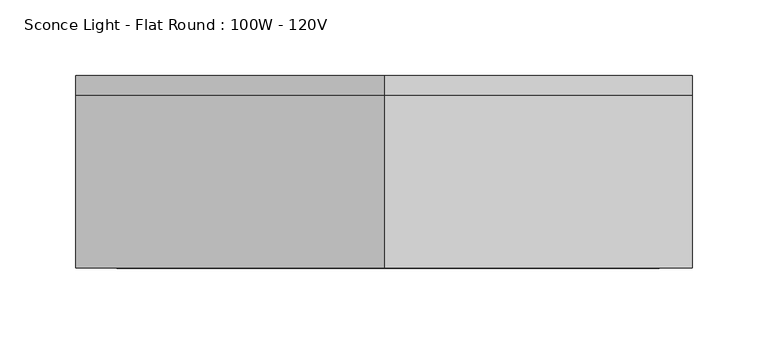
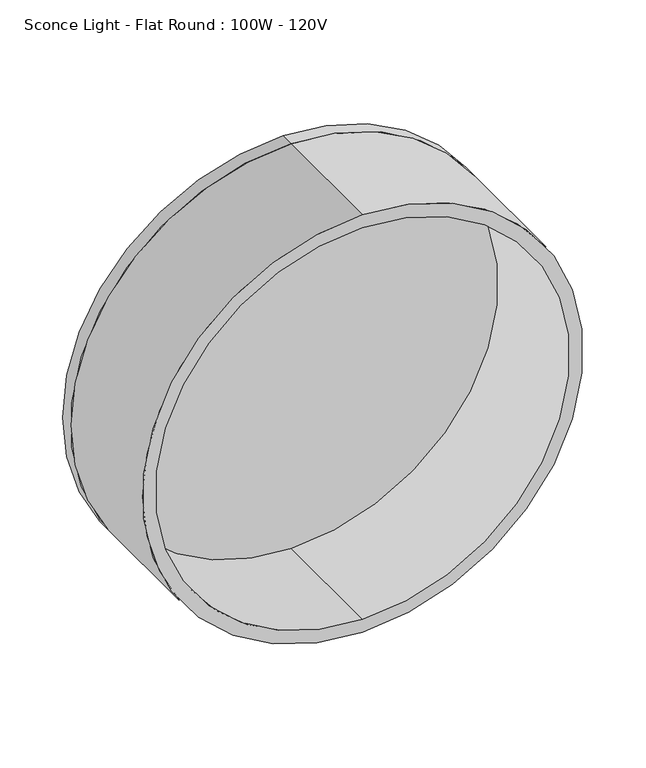
"""IFC4 building model written with IfcOpenShell, lengths in millimetres: light fixture geometry, Sconce Light - Flat Round : 100W - 120V."""

from ifc_helpers import new_model, si_unit, point, frame, frame_2d, origin, place, context, project, spatial, circle_curve, trimmed, segment, composite_curve, outline, extrude, source, transform, mapped, element, save


def sconce_light_flat_round_100w_120v_a41f47f7(model_context):
    return source(origin(), model_context, "Body", "SweptSolid", [
        extrude(outline(composite_curve([segment(trimmed(circle_curve(frame_2d((1930.4, 0.0)), 203.2), [point((1727.2, 0.0))], [point((2133.6, 0.0))], False, "CARTESIAN"), True, "CONTINUOUS"), segment(trimmed(circle_curve(frame_2d((1930.4, 0.0)), 203.2), [point((2133.6, 0.0))], [point((1727.2, 0.0))], False, "CARTESIAN"), True, "CONTINUOUS")], self_intersect=False)), frame((0.0, 265.1125, 0.0), z_axis=(0.0, 1.0, 0.0), x_axis=(0.0, 0.0, 1.0)), (0.0, 0.0, 1.0), 12.7),
        extrude(outline(composite_curve([segment(trimmed(circle_curve(frame_2d((1930.4, 0.0)), 203.2), [point((1727.2, 0.0))], [point((2133.6, 0.0))], False, "CARTESIAN"), True, "CONTINUOUS"), segment(trimmed(circle_curve(frame_2d((1930.4, 0.0)), 203.2), [point((2133.6, 0.0))], [point((1727.2, 0.0))], False, "CARTESIAN"), True, "CONTINUOUS")], self_intersect=False), holes=[composite_curve([segment(trimmed(circle_curve(frame_2d((1930.4, 0.0)), 190.7182302), [point((1739.6817698, 0.0))], [point((2121.1182302, 0.0))], True, "CARTESIAN"), True, "CONTINUOUS"), segment(trimmed(circle_curve(frame_2d((1930.4, 0.0)), 190.7182302), [point((2121.1182302, 0.0))], [point((1739.6817698, 0.0))], True, "CARTESIAN"), True, "CONTINUOUS")], self_intersect=False)]), frame((0.0, 150.8125, 0.0), z_axis=(0.0, 1.0, 0.0), x_axis=(0.0, 0.0, 1.0)), (0.0, 0.0, 1.0), 114.3),
    ])


if __name__ == "__main__":
    model = new_model("IFC4")
    model_context = context("Model", 3, world=origin())
    ifc_project = project(units=[si_unit("LENGTHUNIT", "METRE", prefix="MILLI")], contexts=[model_context])
    site = spatial("IfcSite", under=ifc_project)
    building = spatial("IfcBuilding", under=site)
    placement = place(None, origin())
    sconce_light_flat_round_100w_120v_shape = sconce_light_flat_round_100w_120v_a41f47f7(model_context)
    element("IfcLightFixture", 1, ObjectType="Sconce Light - Flat Round : 100W - 120V", at=placement, inside=building, context=model_context, shape_type="MappedRepresentation", body=[
        mapped(sconce_light_flat_round_100w_120v_shape, transform((0.0, 0.0, 0.0), x_axis=(1.0, 0.0, 0.0), y_axis=(0.0, 1.0, 0.0), z_axis=(0.0, 0.0, 1.0))),
    ])
    save(model, "model.ifc")
